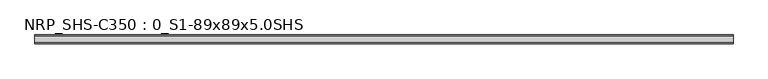
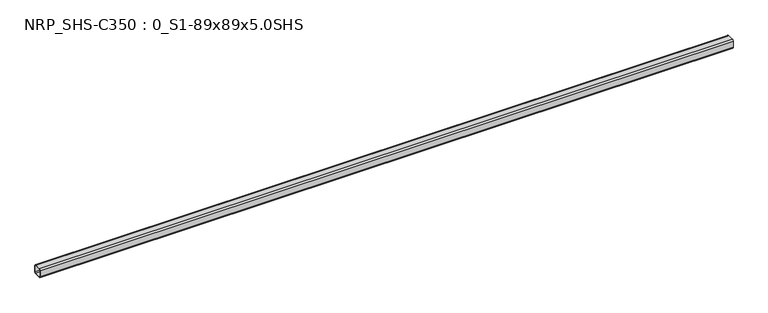
"""IFC4 building model written with IfcOpenShell, lengths in millimetres: beam geometry, NRP_SHS-C350 : 0_S1-89x89x5.0SHS."""

from ifc_helpers import new_model, si_unit, point, frame, frame_2d, origin, place, context, project, spatial, polyline, circle_curve, trimmed, segment, composite_curve, outline, extrude, source, transform, mapped, element, save


def nrp_shs_c350_0_s1_89x89x5_0shs_bec5ff26(model_context):
    return source(origin(), model_context, "Body", "SweptSolid", [
        extrude(outline(composite_curve([segment(trimmed(circle_curve(frame_2d((-32.0, 32.0)), 12.5), [point((-44.5, 32.0))], [point((-32.0, 44.5))], False, "CARTESIAN"), True, "CONTINUOUS"), segment(polyline([(-32.0, 44.5), (32.0, 44.5)]), True, "CONTINUOUS"), segment(trimmed(circle_curve(frame_2d((32.0, 32.0)), 12.5), [point((32.0, 44.5))], [point((44.5, 32.0))], False, "CARTESIAN"), True, "CONTINUOUS"), segment(polyline([(44.5, 32.0), (44.5, -32.0)]), True, "CONTINUOUS"), segment(trimmed(circle_curve(frame_2d((32.0, -32.0)), 12.5), [point((44.5, -32.0))], [point((32.0, -44.5))], False, "CARTESIAN"), True, "CONTINUOUS"), segment(polyline([(32.0, -44.5), (-32.0, -44.5)]), True, "CONTINUOUS"), segment(trimmed(circle_curve(frame_2d((-32.0, -32.0)), 12.5), [point((-32.0, -44.5))], [point((-44.5, -32.0))], False, "CARTESIAN"), True, "CONTINUOUS"), segment(polyline([(-44.5, -32.0), (-44.5, 32.0)]), True, "CONTINUOUS")], self_intersect=False), holes=[composite_curve([segment(polyline([(32.0, 39.5), (-32.0, 39.5)]), True, "CONTINUOUS"), segment(trimmed(circle_curve(frame_2d((-32.0, 32.0)), 7.5), [point((-32.0, 39.5))], [point((-39.5, 32.0))], True, "CARTESIAN"), True, "CONTINUOUS"), segment(polyline([(-39.5, 32.0), (-39.5, -32.0)]), True, "CONTINUOUS"), segment(trimmed(circle_curve(frame_2d((-32.0, -32.0)), 7.5), [point((-39.5, -32.0))], [point((-32.0, -39.5))], True, "CARTESIAN"), True, "CONTINUOUS"), segment(polyline([(-32.0, -39.5), (32.0, -39.5)]), True, "CONTINUOUS"), segment(trimmed(circle_curve(frame_2d((32.0, -32.0)), 7.5), [point((32.0, -39.5))], [point((39.5, -32.0))], True, "CARTESIAN"), True, "CONTINUOUS"), segment(polyline([(39.5, -32.0), (39.5, 32.0)]), True, "CONTINUOUS"), segment(trimmed(circle_curve(frame_2d((32.0, 32.0)), 7.5), [point((39.5, 32.0))], [point((32.0, 39.5))], True, "CARTESIAN"), True, "CONTINUOUS")], self_intersect=False)]), frame((-3426.5, 0.0, 0.0), z_axis=(1.0, 0.0, 0.0), x_axis=(0.0, 1.0, 0.0)), (0.0, 0.0, 1.0), 6874.0),
    ])


if __name__ == "__main__":
    model = new_model("IFC4")
    model_context = context("Model", 3, world=origin())
    ifc_project = project(units=[si_unit("LENGTHUNIT", "METRE", prefix="MILLI")], contexts=[model_context])
    site = spatial("IfcSite", under=ifc_project)
    building = spatial("IfcBuilding", under=site)
    placement = place(None, origin())
    nrp_shs_c350_0_s1_89x89x5_0shs_shape = nrp_shs_c350_0_s1_89x89x5_0shs_bec5ff26(model_context)
    element("IfcBeam", 1, ObjectType="NRP_SHS-C350 : 0_S1-89x89x5.0SHS", at=placement, inside=building, context=model_context, shape_type="MappedRepresentation", body=[
        mapped(nrp_shs_c350_0_s1_89x89x5_0shs_shape, transform((0.0, 0.0, 0.0), x_axis=(1.0, 0.0, 0.0), y_axis=(0.0, 1.0, 0.0), z_axis=(0.0, 0.0, 1.0))),
    ])
    save(model, "model.ifc")
